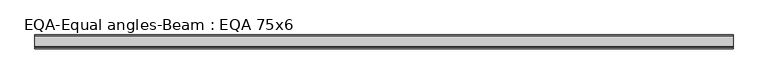
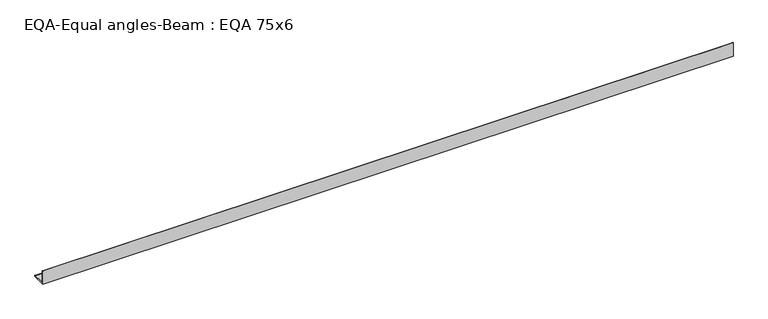
"""IFC4 building model written with IfcOpenShell, lengths in millimetres: beam geometry, EQA-Equal angles-Beam : EQA 75x6."""

from ifc_helpers import new_model, si_unit, point, frame, frame_2d, origin, place, context, project, spatial, polyline, circle_curve, trimmed, segment, composite_curve, outline, extrude, source, transform, mapped, element, save


def eqa_equal_angles_beam_eqa_75x6_ab2421e9(model_context):
    return source(origin(), model_context, "Body", "SweptSolid", [
        extrude(outline(composite_curve([segment(polyline([(-20.5, -20.5), (-20.5, 54.5), (-19.0, 54.5)]), True, "CONTINUOUS"), segment(trimmed(circle_curve(frame_2d((-19.0, 50.0)), 4.5), [point((-19.0, 54.5))], [point((-14.5, 50.0))], False, "CARTESIAN"), True, "CONTINUOUS"), segment(polyline([(-14.5, 50.0), (-14.5, -5.5)]), True, "CONTINUOUS"), segment(trimmed(circle_curve(frame_2d((-5.5, -5.5)), 9.0), [point((-14.5, -5.5))], [point((-5.5, -14.5))], True, "CARTESIAN"), True, "CONTINUOUS"), segment(polyline([(-5.5, -14.5), (50.0, -14.5)]), True, "CONTINUOUS"), segment(trimmed(circle_curve(frame_2d((50.0, -19.0)), 4.5), [point((50.0, -14.5))], [point((54.5, -19.0))], False, "CARTESIAN"), True, "CONTINUOUS"), segment(polyline([(54.5, -19.0), (54.5, -20.5), (-20.5, -20.5)]), True, "CONTINUOUS")], self_intersect=False)), frame((-1917.5516972, 0.0, 0.0), z_axis=(1.0, 0.0, 0.0), x_axis=(0.0, 1.0, 0.0)), (0.0, 0.0, 1.0), 3725.8444099),
    ])


if __name__ == "__main__":
    model = new_model("IFC4")
    model_context = context("Model", 3, world=origin())
    ifc_project = project(units=[si_unit("LENGTHUNIT", "METRE", prefix="MILLI")], contexts=[model_context])
    site = spatial("IfcSite", under=ifc_project)
    building = spatial("IfcBuilding", under=site)
    placement = place(None, origin())
    eqa_equal_angles_beam_eqa_75x6_shape = eqa_equal_angles_beam_eqa_75x6_ab2421e9(model_context)
    element("IfcBeam", 1, ObjectType="EQA-Equal angles-Beam : EQA 75x6", at=placement, inside=building, context=model_context, shape_type="MappedRepresentation", body=[
        mapped(eqa_equal_angles_beam_eqa_75x6_shape, transform((0.0, 0.0, 0.0), x_axis=(1.0, 0.0, 0.0), y_axis=(0.0, 1.0, 0.0), z_axis=(0.0, 0.0, 1.0))),
    ])
    save(model, "model.ifc")
